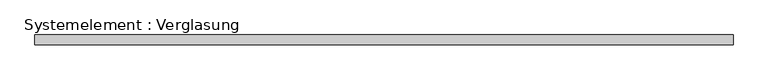
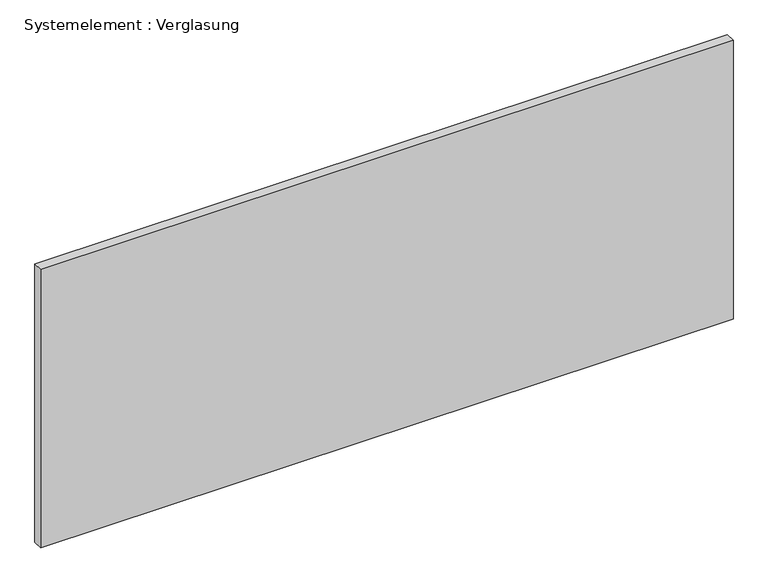
"""IFC4 building model written with IfcOpenShell, lengths in millimetres: plate geometry, Systemelement : Verglasung."""

from ifc_helpers import new_model, si_unit, origin, origin_with_axes, place, context, project, spatial, polyline, outline, extrude, source, transform, mapped, element, save


def systemelement_verglasung_00d8f242(model_context):
    return source(origin(), model_context, "Body", "SweptSolid", [
        extrude(outline(polyline([(1070.0, -15.0), (-1070.0, -15.0), (-1070.0, 15.0), (1070.0, 15.0), (1070.0, -15.0)])), origin_with_axes(), (0.0, 0.0, 1.0), 910.0),
    ])


if __name__ == "__main__":
    model = new_model("IFC4")
    model_context = context("Model", 3, world=origin())
    ifc_project = project(units=[si_unit("LENGTHUNIT", "METRE", prefix="MILLI")], contexts=[model_context])
    site = spatial("IfcSite", under=ifc_project)
    building = spatial("IfcBuilding", under=site)
    placement = place(None, origin())
    systemelement_verglasung_shape = systemelement_verglasung_00d8f242(model_context)
    element("IfcPlate", 1, ObjectType="Systemelement : Verglasung", at=placement, inside=building, context=model_context, shape_type="MappedRepresentation", body=[
        mapped(systemelement_verglasung_shape, transform((0.0, 0.0, 0.0), x_axis=(1.0, 0.0, 0.0), y_axis=(0.0, 1.0, 0.0), z_axis=(0.0, 0.0, 1.0))),
    ])
    save(model, "model.ifc")
